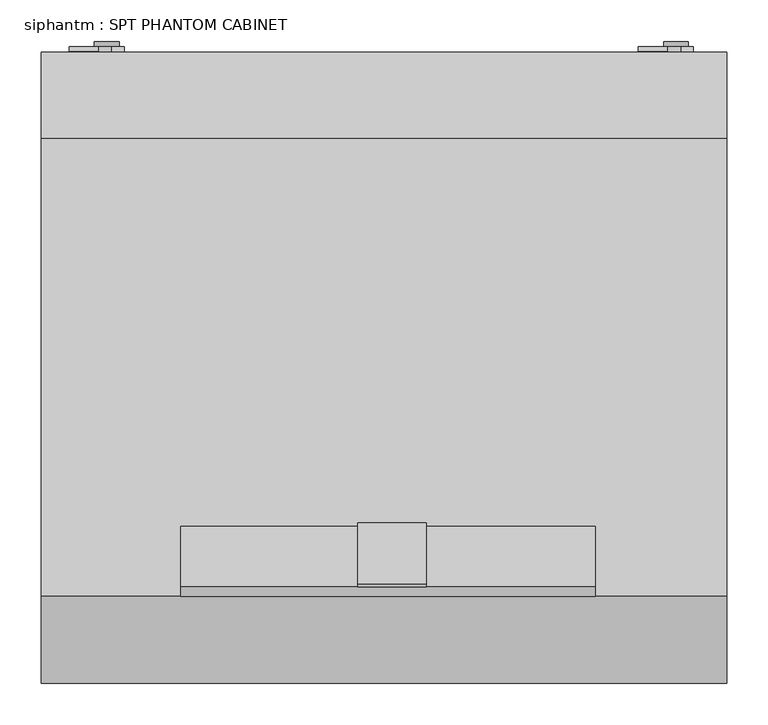
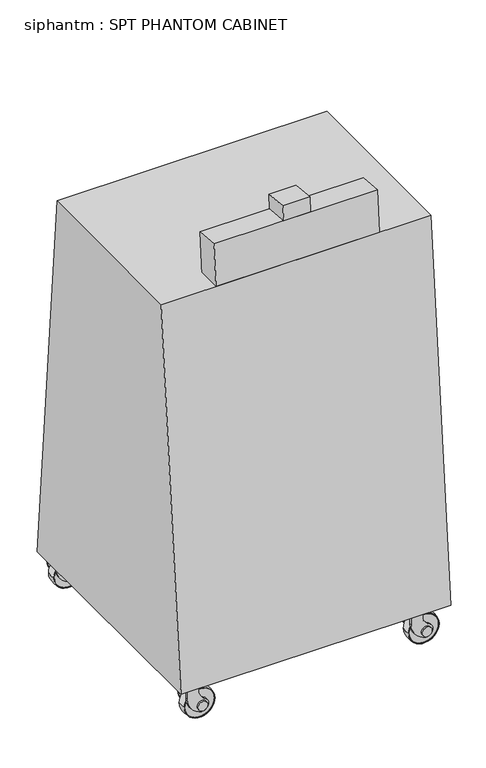
"""IFC4 building model written with IfcOpenShell, lengths in millimetres: proxy geometry, siphantm : SPT PHANTOM CABINET."""

from ifc_helpers import new_model, si_unit, point, frame, frame_2d, origin, place, context, project, spatial, polyline, circle_curve, ellipse_curve, trimmed, segment, composite_curve, outline, extrude, source, transform, mapped, element, save
from ifc_brep_helpers import plane_surface, revolved_surface, advanced_brep


def siphantm_spt_phantom_cabinet_dff090a6(model_context):
    return source(origin(), model_context, "Body", "SolidModel", [
        advanced_brep(
        [(876.4637595, 881.4451858, 48.0465135), (876.4637595, 853.4451858, 48.0465135), (782.8516814, 853.4451858, 48.0465135), (782.8516814, 881.4451858, 48.0465135), (874.6577205, 853.4451858, 48.0465135), (874.6577205, 881.4451858, 48.0465135), (784.6577205, 881.4451858, 48.0465135), (784.6577205, 853.4451858, 48.0465135)],
        [
            (0, 1, circle_curve(frame((798.0819675, 867.4451858, 48.0465135), z_axis=(0.0, 0.0, -1.0), x_axis=(-1.0, 0.0, 0.0)), 79.6222664)),
            (1, 2, circle_curve(frame((829.6577205, 853.4451858, 48.0465135), z_axis=(0.0, 1.0, 0.0), x_axis=(-1.0, 0.0, 0.0)), 46.8060391)),
            (2, 3, circle_curve(frame((861.2334734, 867.4451858, 48.0465135), z_axis=(0.0, 0.0, -1.0), x_axis=(1.0, 0.0, 0.0)), 79.6222664)),
            (3, 0, circle_curve(frame((829.6577205, 881.4451858, 48.0465135), z_axis=(0.0, -1.0, 0.0), x_axis=(-1.0, 0.0, 0.0)), 46.8060391)),
            (4, 5),
            (5, 6, circle_curve(frame((829.6577205, 881.4451858, 48.0465135), z_axis=(0.0, 1.0, 0.0), x_axis=(-1.0, 0.0, 0.0)), 45.0)),
            (6, 7),
            (7, 4, circle_curve(frame((829.6577205, 853.4451858, 48.0465135), z_axis=(0.0, -1.0, 0.0), x_axis=(-1.0, 0.0, 0.0)), 45.0)),
            (1, 2, circle_curve(frame((829.6577205, 853.4451858, 48.0465135), z_axis=(0.0, -1.0, 0.0), x_axis=(1.0, 0.0, 0.0)), 46.8060391)),
            (7, 4, circle_curve(frame((829.6577205, 853.4451858, 48.0465135), z_axis=(0.0, 1.0, 0.0), x_axis=(1.0, 0.0, 0.0)), 45.0)),
            (0, 3, circle_curve(frame((829.6577205, 881.4451858, 48.0465135), z_axis=(0.0, -1.0, 0.0), x_axis=(1.0, 0.0, 0.0)), 46.8060391)),
            (5, 6, circle_curve(frame((829.6577205, 881.4451858, 48.0465135), z_axis=(0.0, -1.0, 0.0), x_axis=(1.0, 0.0, 0.0)), 45.0)),
        ],
        [
            revolved_surface(trimmed(ellipse_curve(frame((861.2334734, 867.4451858, 48.0465135), z_axis=(0.0, 0.0, -1.0), x_axis=(1.0, 0.0, 0.0)), 79.6222664, 79.6222664), [point((782.8516814, 853.4451858, 48.0465135))], [point((782.8516814, 881.4451858, 48.0465135))], True, "CARTESIAN"), (829.6577205, 873.9679771, 48.0465135), (0.0, 1.0, 0.0)),
            revolved_surface(polyline([(784.6577205, 881.4451858, 48.0465135), (784.6577205, 853.4451858, 48.0465135)]), (829.6577205, 873.9679771, 48.0465135), (0.0, 1.0, 0.0)),
            plane_surface(frame((829.6577205, 853.4451858, 48.0465135), z_axis=(0.0, -1.0, 0.0), x_axis=(1.0, 0.0, 0.0))),
            revolved_surface(trimmed(ellipse_curve(frame((798.0819675, 867.4451858, 48.0465135), z_axis=(0.0, 0.0, 1.0), x_axis=(-1.0, 0.0, 0.0)), 79.6222664, 79.6222664), [point((876.4637595, 853.4451858, 48.0465135))], [point((876.4637595, 881.4451858, 48.0465135))], True, "CARTESIAN"), (829.6577205, 873.9679771, 48.0465135), (0.0, 1.0, 0.0)),
            plane_surface(frame((829.6577205, 881.4451858, 48.0465135), z_axis=(0.0, 1.0, 0.0), x_axis=(1.0, 0.0, 0.0))),
            revolved_surface(polyline([(874.6577205, 881.4451858, 48.0465135), (874.6577205, 853.4451858, 48.0465135)]), (829.6577205, 873.9679771, 48.0465135), (0.0, 1.0, 0.0)),
        ],
        [
            (0, [[1, 2, 3, 4]]),
            (1, [[5, 6, 7, 8]]),
            (2, [[-2, 9], [-8, 10]]),
            (3, [[-3, -9, -1, 11]]),
            (4, [[-4, -11], [-6, 12]]),
            (5, [[-7, -12, -5, -10]]),
        ],
    ),
        extrude(outline(composite_curve([segment(trimmed(circle_curve(frame_2d((48.0465135, 829.6577205)), 21.0), [point((29.163577, 820.4688844))], [point((68.1369892, 835.7710492))], False, "CARTESIAN"), True, "CONTINUOUS"), segment(trimmed(circle_curve(frame_2d((99.3530944, 856.8179829)), 37.6486207), [point((68.1369892, 835.7710492))], [point((99.3530944, 819.1693622))], True, "CARTESIAN"), True, "CONTINUOUS"), segment(polyline([(99.3530944, 819.1693622), (125.0465135, 819.1693622), (125.0465135, 784.1693622), (81.8753807, 784.1693622)]), True, "CONTINUOUS"), segment(trimmed(circle_curve(frame_2d((81.8753807, 839.1693622)), 55.0), [point((81.8753807, 784.1693622))], [point((34.2439835, 811.6693622))], False, "CARTESIAN"), True, "CONTINUOUS"), segment(polyline([(34.2439835, 811.6693622), (29.163577, 820.4688844)]), True, "CONTINUOUS")], self_intersect=False)), frame((0.0, 842.4679771, 0.0), z_axis=(0.0, 1.0, 0.0), x_axis=(0.0, 0.0, 1.0)), (0.0, 0.0, 1.0), 6.0),
        extrude(outline(polyline([(784.1693622, 886.4679771), (819.1693622, 886.4679771), (819.1693622, 848.4679771), (784.1693622, 848.4679771), (784.1693622, 886.4679771)])), frame((0.0, 0.0, 119.0465135), z_axis=(0.0, 0.0, 1.0), x_axis=(1.0, 0.0, 0.0)), (0.0, 0.0, 1.0), 6.0),
        extrude(outline(composite_curve([segment(trimmed(circle_curve(frame_2d((48.0465135, 829.6577205)), 21.0), [point((29.163577, 820.4688844))], [point((68.1369892, 835.7710492))], False, "CARTESIAN"), True, "CONTINUOUS"), segment(trimmed(circle_curve(frame_2d((99.3530944, 856.8179829)), 37.6486207), [point((68.1369892, 835.7710492))], [point((99.3530944, 819.1693622))], True, "CARTESIAN"), True, "CONTINUOUS"), segment(polyline([(99.3530944, 819.1693622), (125.0465135, 819.1693622), (125.0465135, 784.1693622), (81.8753807, 784.1693622)]), True, "CONTINUOUS"), segment(trimmed(circle_curve(frame_2d((81.8753807, 839.1693622)), 55.0), [point((81.8753807, 784.1693622))], [point((34.2439835, 811.6693622))], False, "CARTESIAN"), True, "CONTINUOUS"), segment(polyline([(34.2439835, 811.6693622), (29.163577, 820.4688844)]), True, "CONTINUOUS")], self_intersect=False)), frame((0.0, 886.4679771, 0.0), z_axis=(0.0, 1.0, 0.0), x_axis=(0.0, 0.0, 1.0)), (0.0, 0.0, 1.0), 6.0),
        extrude(outline(composite_curve([segment(trimmed(circle_curve(frame_2d((48.0465135, 829.6577205)), 15.0), [point((48.0465135, 814.6577205))], [point((48.0465135, 844.6577205))], False, "CARTESIAN"), True, "CONTINUOUS"), segment(trimmed(circle_curve(frame_2d((48.0465135, 829.6577205)), 15.0), [point((48.0465135, 844.6577205))], [point((48.0465135, 814.6577205))], False, "CARTESIAN"), True, "CONTINUOUS")], self_intersect=False)), frame((0.0, 836.4679771, 0.0), z_axis=(0.0, 1.0, 0.0), x_axis=(0.0, 0.0, 1.0)), (0.0, 0.0, 1.0), 62.0),
        extrude(outline(composite_curve([segment(trimmed(circle_curve(frame_2d((48.0465135, 829.6577205)), 45.0), [point((48.0465135, 784.6577205))], [point((48.0465135, 874.6577205))], False, "CARTESIAN"), True, "CONTINUOUS"), segment(trimmed(circle_curve(frame_2d((48.0465135, 829.6577205)), 45.0), [point((48.0465135, 874.6577205))], [point((48.0465135, 784.6577205))], False, "CARTESIAN"), True, "CONTINUOUS")], self_intersect=False)), frame((0.0, 854.9679771, 0.0), z_axis=(0.0, 1.0, 0.0), x_axis=(0.0, 0.0, 1.0)), (0.0, 0.0, 1.0), 25.0),
        advanced_brep(
        [(876.4637595, 1573.5951858, 48.0465135), (876.4637595, 1545.5951858, 48.0465135), (782.8516814, 1545.5951858, 48.0465135), (782.8516814, 1573.5951858, 48.0465135), (874.6577205, 1545.5951858, 48.0465135), (874.6577205, 1573.5951858, 48.0465135), (784.6577205, 1573.5951858, 48.0465135), (784.6577205, 1545.5951858, 48.0465135)],
        [
            (0, 1, circle_curve(frame((798.0819675, 1559.5951858, 48.0465135), z_axis=(0.0, 0.0, -1.0), x_axis=(-1.0, 0.0, 0.0)), 79.6222664)),
            (1, 2, circle_curve(frame((829.6577205, 1545.5951858, 48.0465135), z_axis=(0.0, 1.0, 0.0), x_axis=(-1.0, 0.0, 0.0)), 46.8060391)),
            (2, 3, circle_curve(frame((861.2334734, 1559.5951858, 48.0465135), z_axis=(0.0, 0.0, -1.0), x_axis=(1.0, 0.0, 0.0)), 79.6222664)),
            (3, 0, circle_curve(frame((829.6577205, 1573.5951858, 48.0465135), z_axis=(0.0, -1.0, 0.0), x_axis=(-1.0, 0.0, 0.0)), 46.8060391)),
            (4, 5),
            (5, 6, circle_curve(frame((829.6577205, 1573.5951858, 48.0465135), z_axis=(0.0, 1.0, 0.0), x_axis=(-1.0, 0.0, 0.0)), 45.0)),
            (6, 7),
            (7, 4, circle_curve(frame((829.6577205, 1545.5951858, 48.0465135), z_axis=(0.0, -1.0, 0.0), x_axis=(-1.0, 0.0, 0.0)), 45.0)),
            (1, 2, circle_curve(frame((829.6577205, 1545.5951858, 48.0465135), z_axis=(0.0, -1.0, 0.0), x_axis=(1.0, 0.0, 0.0)), 46.8060391)),
            (7, 4, circle_curve(frame((829.6577205, 1545.5951858, 48.0465135), z_axis=(0.0, 1.0, 0.0), x_axis=(1.0, 0.0, 0.0)), 45.0)),
            (0, 3, circle_curve(frame((829.6577205, 1573.5951858, 48.0465135), z_axis=(0.0, -1.0, 0.0), x_axis=(1.0, 0.0, 0.0)), 46.8060391)),
            (5, 6, circle_curve(frame((829.6577205, 1573.5951858, 48.0465135), z_axis=(0.0, -1.0, 0.0), x_axis=(1.0, 0.0, 0.0)), 45.0)),
        ],
        [
            revolved_surface(trimmed(ellipse_curve(frame((861.2334734, 1559.5951858, 48.0465135), z_axis=(0.0, 0.0, -1.0), x_axis=(1.0, 0.0, 0.0)), 79.6222664, 79.6222664), [point((782.8516814, 1545.5951858, 48.0465135))], [point((782.8516814, 1573.5951858, 48.0465135))], True, "CARTESIAN"), (829.6577205, 1566.1179771, 48.0465135), (0.0, 1.0, 0.0)),
            revolved_surface(polyline([(784.6577205, 1573.5951858, 48.0465135), (784.6577205, 1545.5951858, 48.0465135)]), (829.6577205, 1566.1179771, 48.0465135), (0.0, 1.0, 0.0)),
            plane_surface(frame((829.6577205, 1545.5951858, 48.0465135), z_axis=(0.0, -1.0, 0.0), x_axis=(1.0, 0.0, 0.0))),
            revolved_surface(trimmed(ellipse_curve(frame((798.0819675, 1559.5951858, 48.0465135), z_axis=(0.0, 0.0, 1.0), x_axis=(-1.0, 0.0, 0.0)), 79.6222664, 79.6222664), [point((876.4637595, 1545.5951858, 48.0465135))], [point((876.4637595, 1573.5951858, 48.0465135))], True, "CARTESIAN"), (829.6577205, 1566.1179771, 48.0465135), (0.0, 1.0, 0.0)),
            plane_surface(frame((829.6577205, 1573.5951858, 48.0465135), z_axis=(0.0, 1.0, 0.0), x_axis=(1.0, 0.0, 0.0))),
            revolved_surface(polyline([(874.6577205, 1573.5951858, 48.0465135), (874.6577205, 1545.5951858, 48.0465135)]), (829.6577205, 1566.1179771, 48.0465135), (0.0, 1.0, 0.0)),
        ],
        [
            (0, [[1, 2, 3, 4]]),
            (1, [[5, 6, 7, 8]]),
            (2, [[-2, 9], [-8, 10]]),
            (3, [[-3, -9, -1, 11]]),
            (4, [[-4, -11], [-6, 12]]),
            (5, [[-7, -12, -5, -10]]),
        ],
    ),
        extrude(outline(composite_curve([segment(trimmed(circle_curve(frame_2d((48.0465135, 829.6577205)), 21.0), [point((29.163577, 820.4688844))], [point((68.1369892, 835.7710492))], False, "CARTESIAN"), True, "CONTINUOUS"), segment(trimmed(circle_curve(frame_2d((99.3530944, 856.8179829)), 37.6486207), [point((68.1369892, 835.7710492))], [point((99.3530944, 819.1693622))], True, "CARTESIAN"), True, "CONTINUOUS"), segment(polyline([(99.3530944, 819.1693622), (125.0465135, 819.1693622), (125.0465135, 784.1693622), (81.8753807, 784.1693622)]), True, "CONTINUOUS"), segment(trimmed(circle_curve(frame_2d((81.8753807, 839.1693622)), 55.0), [point((81.8753807, 784.1693622))], [point((34.2439835, 811.6693622))], False, "CARTESIAN"), True, "CONTINUOUS"), segment(polyline([(34.2439835, 811.6693622), (29.163577, 820.4688844)]), True, "CONTINUOUS")], self_intersect=False)), frame((0.0, 1534.6179771, 0.0), z_axis=(0.0, 1.0, 0.0), x_axis=(0.0, 0.0, 1.0)), (0.0, 0.0, 1.0), 6.0),
        extrude(outline(polyline([(784.1693622, 1578.6179771), (819.1693622, 1578.6179771), (819.1693622, 1540.6179771), (784.1693622, 1540.6179771), (784.1693622, 1578.6179771)])), frame((0.0, 0.0, 119.0465135), z_axis=(0.0, 0.0, 1.0), x_axis=(1.0, 0.0, 0.0)), (0.0, 0.0, 1.0), 6.0),
        extrude(outline(composite_curve([segment(trimmed(circle_curve(frame_2d((48.0465135, 829.6577205)), 21.0), [point((29.163577, 820.4688844))], [point((68.1369892, 835.7710492))], False, "CARTESIAN"), True, "CONTINUOUS"), segment(trimmed(circle_curve(frame_2d((99.3530944, 856.8179829)), 37.6486207), [point((68.1369892, 835.7710492))], [point((99.3530944, 819.1693622))], True, "CARTESIAN"), True, "CONTINUOUS"), segment(polyline([(99.3530944, 819.1693622), (125.0465135, 819.1693622), (125.0465135, 784.1693622), (81.8753807, 784.1693622)]), True, "CONTINUOUS"), segment(trimmed(circle_curve(frame_2d((81.8753807, 839.1693622)), 55.0), [point((81.8753807, 784.1693622))], [point((34.2439835, 811.6693622))], False, "CARTESIAN"), True, "CONTINUOUS"), segment(polyline([(34.2439835, 811.6693622), (29.163577, 820.4688844)]), True, "CONTINUOUS")], self_intersect=False)), frame((0.0, 1578.6179771, 0.0), z_axis=(0.0, 1.0, 0.0), x_axis=(0.0, 0.0, 1.0)), (0.0, 0.0, 1.0), 6.0),
        extrude(outline(composite_curve([segment(trimmed(circle_curve(frame_2d((48.0465135, 829.6577205)), 15.0), [point((48.0465135, 814.6577205))], [point((48.0465135, 844.6577205))], False, "CARTESIAN"), True, "CONTINUOUS"), segment(trimmed(circle_curve(frame_2d((48.0465135, 829.6577205)), 15.0), [point((48.0465135, 844.6577205))], [point((48.0465135, 814.6577205))], False, "CARTESIAN"), True, "CONTINUOUS")], self_intersect=False)), frame((0.0, 1528.6179771, 0.0), z_axis=(0.0, 1.0, 0.0), x_axis=(0.0, 0.0, 1.0)), (0.0, 0.0, 1.0), 62.0),
        extrude(outline(composite_curve([segment(trimmed(circle_curve(frame_2d((48.0465135, 829.6577205)), 45.0), [point((48.0465135, 784.6577205))], [point((48.0465135, 874.6577205))], False, "CARTESIAN"), True, "CONTINUOUS"), segment(trimmed(circle_curve(frame_2d((48.0465135, 829.6577205)), 45.0), [point((48.0465135, 874.6577205))], [point((48.0465135, 784.6577205))], False, "CARTESIAN"), True, "CONTINUOUS")], self_intersect=False)), frame((0.0, 1547.1179771, 0.0), z_axis=(0.0, 1.0, 0.0), x_axis=(0.0, 0.0, 1.0)), (0.0, 0.0, 1.0), 25.0),
        advanced_brep(
        [(1562.2637595, 881.4451858, 48.0465135), (1562.2637595, 853.4451858, 48.0465135), (1468.6516814, 853.4451858, 48.0465135), (1468.6516814, 881.4451858, 48.0465135), (1560.4577205, 853.4451858, 48.0465135), (1560.4577205, 881.4451858, 48.0465135), (1470.4577205, 881.4451858, 48.0465135), (1470.4577205, 853.4451858, 48.0465135)],
        [
            (0, 1, circle_curve(frame((1483.8819675, 867.4451858, 48.0465135), z_axis=(0.0, 0.0, -1.0), x_axis=(-1.0, 0.0, 0.0)), 79.6222664)),
            (1, 2, circle_curve(frame((1515.4577205, 853.4451858, 48.0465135), z_axis=(0.0, 1.0, 0.0), x_axis=(-1.0, 0.0, 0.0)), 46.8060391)),
            (2, 3, circle_curve(frame((1547.0334734, 867.4451858, 48.0465135), z_axis=(0.0, 0.0, -1.0), x_axis=(1.0, 0.0, 0.0)), 79.6222664)),
            (3, 0, circle_curve(frame((1515.4577205, 881.4451858, 48.0465135), z_axis=(0.0, -1.0, 0.0), x_axis=(-1.0, 0.0, 0.0)), 46.8060391)),
            (4, 5),
            (5, 6, circle_curve(frame((1515.4577205, 881.4451858, 48.0465135), z_axis=(0.0, 1.0, 0.0), x_axis=(-1.0, 0.0, 0.0)), 45.0)),
            (6, 7),
            (7, 4, circle_curve(frame((1515.4577205, 853.4451858, 48.0465135), z_axis=(0.0, -1.0, 0.0), x_axis=(-1.0, 0.0, 0.0)), 45.0)),
            (1, 2, circle_curve(frame((1515.4577205, 853.4451858, 48.0465135), z_axis=(0.0, -1.0, 0.0), x_axis=(1.0, 0.0, 0.0)), 46.8060391)),
            (7, 4, circle_curve(frame((1515.4577205, 853.4451858, 48.0465135), z_axis=(0.0, 1.0, 0.0), x_axis=(1.0, 0.0, 0.0)), 45.0)),
            (0, 3, circle_curve(frame((1515.4577205, 881.4451858, 48.0465135), z_axis=(0.0, -1.0, 0.0), x_axis=(1.0, 0.0, 0.0)), 46.8060391)),
            (5, 6, circle_curve(frame((1515.4577205, 881.4451858, 48.0465135), z_axis=(0.0, -1.0, 0.0), x_axis=(1.0, 0.0, 0.0)), 45.0)),
        ],
        [
            revolved_surface(trimmed(ellipse_curve(frame((1547.0334734, 867.4451858, 48.0465135), z_axis=(0.0, 0.0, -1.0), x_axis=(1.0, 0.0, 0.0)), 79.6222664, 79.6222664), [point((1468.6516814, 853.4451858, 48.0465135))], [point((1468.6516814, 881.4451858, 48.0465135))], True, "CARTESIAN"), (1515.4577205, 873.9679771, 48.0465135), (0.0, 1.0, 0.0)),
            revolved_surface(polyline([(1470.4577205, 881.4451858, 48.0465135), (1470.4577205, 853.4451858, 48.0465135)]), (1515.4577205, 873.9679771, 48.0465135), (0.0, 1.0, 0.0)),
            plane_surface(frame((1515.4577205, 853.4451858, 48.0465135), z_axis=(0.0, -1.0, 0.0), x_axis=(1.0, 0.0, 0.0))),
            revolved_surface(trimmed(ellipse_curve(frame((1483.8819675, 867.4451858, 48.0465135), z_axis=(0.0, 0.0, 1.0), x_axis=(-1.0, 0.0, 0.0)), 79.6222664, 79.6222664), [point((1562.2637595, 853.4451858, 48.0465135))], [point((1562.2637595, 881.4451858, 48.0465135))], True, "CARTESIAN"), (1515.4577205, 873.9679771, 48.0465135), (0.0, 1.0, 0.0)),
            plane_surface(frame((1515.4577205, 881.4451858, 48.0465135), z_axis=(0.0, 1.0, 0.0), x_axis=(1.0, 0.0, 0.0))),
            revolved_surface(polyline([(1560.4577205, 881.4451858, 48.0465135), (1560.4577205, 853.4451858, 48.0465135)]), (1515.4577205, 873.9679771, 48.0465135), (0.0, 1.0, 0.0)),
        ],
        [
            (0, [[1, 2, 3, 4]]),
            (1, [[5, 6, 7, 8]]),
            (2, [[-2, 9], [-8, 10]]),
            (3, [[-3, -9, -1, 11]]),
            (4, [[-4, -11], [-6, 12]]),
            (5, [[-7, -12, -5, -10]]),
        ],
    ),
        extrude(outline(composite_curve([segment(trimmed(circle_curve(frame_2d((48.0465135, 1515.4577205)), 21.0), [point((29.163577, 1506.2688844))], [point((68.1369892, 1521.5710492))], False, "CARTESIAN"), True, "CONTINUOUS"), segment(trimmed(circle_curve(frame_2d((99.3530944, 1542.6179829)), 37.6486207), [point((68.1369892, 1521.5710492))], [point((99.3530944, 1504.9693622))], True, "CARTESIAN"), True, "CONTINUOUS"), segment(polyline([(99.3530944, 1504.9693622), (125.0465135, 1504.9693622), (125.0465135, 1469.9693622), (81.8753807, 1469.9693622)]), True, "CONTINUOUS"), segment(trimmed(circle_curve(frame_2d((81.8753807, 1524.9693622)), 55.0), [point((81.8753807, 1469.9693622))], [point((34.2439835, 1497.4693622))], False, "CARTESIAN"), True, "CONTINUOUS"), segment(polyline([(34.2439835, 1497.4693622), (29.163577, 1506.2688844)]), True, "CONTINUOUS")], self_intersect=False)), frame((0.0, 842.4679771, 0.0), z_axis=(0.0, 1.0, 0.0), x_axis=(0.0, 0.0, 1.0)), (0.0, 0.0, 1.0), 6.0),
        extrude(outline(polyline([(1469.9693622, 886.4679771), (1504.9693622, 886.4679771), (1504.9693622, 848.4679771), (1469.9693622, 848.4679771), (1469.9693622, 886.4679771)])), frame((0.0, 0.0, 119.0465135), z_axis=(0.0, 0.0, 1.0), x_axis=(1.0, 0.0, 0.0)), (0.0, 0.0, 1.0), 6.0),
        extrude(outline(composite_curve([segment(trimmed(circle_curve(frame_2d((48.0465135, 1515.4577205)), 21.0), [point((29.163577, 1506.2688844))], [point((68.1369892, 1521.5710492))], False, "CARTESIAN"), True, "CONTINUOUS"), segment(trimmed(circle_curve(frame_2d((99.3530944, 1542.6179829)), 37.6486207), [point((68.1369892, 1521.5710492))], [point((99.3530944, 1504.9693622))], True, "CARTESIAN"), True, "CONTINUOUS"), segment(polyline([(99.3530944, 1504.9693622), (125.0465135, 1504.9693622), (125.0465135, 1469.9693622), (81.8753807, 1469.9693622)]), True, "CONTINUOUS"), segment(trimmed(circle_curve(frame_2d((81.8753807, 1524.9693622)), 55.0), [point((81.8753807, 1469.9693622))], [point((34.2439835, 1497.4693622))], False, "CARTESIAN"), True, "CONTINUOUS"), segment(polyline([(34.2439835, 1497.4693622), (29.163577, 1506.2688844)]), True, "CONTINUOUS")], self_intersect=False)), frame((0.0, 886.4679771, 0.0), z_axis=(0.0, 1.0, 0.0), x_axis=(0.0, 0.0, 1.0)), (0.0, 0.0, 1.0), 6.0),
        extrude(outline(composite_curve([segment(trimmed(circle_curve(frame_2d((48.0465135, 1515.4577205)), 15.0), [point((48.0465135, 1500.4577205))], [point((48.0465135, 1530.4577205))], False, "CARTESIAN"), True, "CONTINUOUS"), segment(trimmed(circle_curve(frame_2d((48.0465135, 1515.4577205)), 15.0), [point((48.0465135, 1530.4577205))], [point((48.0465135, 1500.4577205))], False, "CARTESIAN"), True, "CONTINUOUS")], self_intersect=False)), frame((0.0, 836.4679771, 0.0), z_axis=(0.0, 1.0, 0.0), x_axis=(0.0, 0.0, 1.0)), (0.0, 0.0, 1.0), 62.0),
        extrude(outline(composite_curve([segment(trimmed(circle_curve(frame_2d((48.0465135, 1515.4577205)), 45.0), [point((48.0465135, 1470.4577205))], [point((48.0465135, 1560.4577205))], False, "CARTESIAN"), True, "CONTINUOUS"), segment(trimmed(circle_curve(frame_2d((48.0465135, 1515.4577205)), 45.0), [point((48.0465135, 1560.4577205))], [point((48.0465135, 1470.4577205))], False, "CARTESIAN"), True, "CONTINUOUS")], self_intersect=False)), frame((0.0, 854.9679771, 0.0), z_axis=(0.0, 1.0, 0.0), x_axis=(0.0, 0.0, 1.0)), (0.0, 0.0, 1.0), 25.0),
        advanced_brep(
        [(1562.2637595, 1573.5951858, 48.0465135), (1562.2637595, 1545.5951858, 48.0465135), (1468.6516814, 1545.5951858, 48.0465135), (1468.6516814, 1573.5951858, 48.0465135), (1560.4577205, 1545.5951858, 48.0465135), (1560.4577205, 1573.5951858, 48.0465135), (1470.4577205, 1573.5951858, 48.0465135), (1470.4577205, 1545.5951858, 48.0465135)],
        [
            (0, 1, circle_curve(frame((1483.8819675, 1559.5951858, 48.0465135), z_axis=(0.0, 0.0, -1.0), x_axis=(-1.0, 0.0, 0.0)), 79.6222664)),
            (1, 2, circle_curve(frame((1515.4577205, 1545.5951858, 48.0465135), z_axis=(0.0, 1.0, 0.0), x_axis=(-1.0, 0.0, 0.0)), 46.8060391)),
            (2, 3, circle_curve(frame((1547.0334734, 1559.5951858, 48.0465135), z_axis=(0.0, 0.0, -1.0), x_axis=(1.0, 0.0, 0.0)), 79.6222664)),
            (3, 0, circle_curve(frame((1515.4577205, 1573.5951858, 48.0465135), z_axis=(0.0, -1.0, 0.0), x_axis=(-1.0, 0.0, 0.0)), 46.8060391)),
            (4, 5),
            (5, 6, circle_curve(frame((1515.4577205, 1573.5951858, 48.0465135), z_axis=(0.0, 1.0, 0.0), x_axis=(-1.0, 0.0, 0.0)), 45.0)),
            (6, 7),
            (7, 4, circle_curve(frame((1515.4577205, 1545.5951858, 48.0465135), z_axis=(0.0, -1.0, 0.0), x_axis=(-1.0, 0.0, 0.0)), 45.0)),
            (1, 2, circle_curve(frame((1515.4577205, 1545.5951858, 48.0465135), z_axis=(0.0, -1.0, 0.0), x_axis=(1.0, 0.0, 0.0)), 46.8060391)),
            (7, 4, circle_curve(frame((1515.4577205, 1545.5951858, 48.0465135), z_axis=(0.0, 1.0, 0.0), x_axis=(1.0, 0.0, 0.0)), 45.0)),
            (0, 3, circle_curve(frame((1515.4577205, 1573.5951858, 48.0465135), z_axis=(0.0, -1.0, 0.0), x_axis=(1.0, 0.0, 0.0)), 46.8060391)),
            (5, 6, circle_curve(frame((1515.4577205, 1573.5951858, 48.0465135), z_axis=(0.0, -1.0, 0.0), x_axis=(1.0, 0.0, 0.0)), 45.0)),
        ],
        [
            revolved_surface(trimmed(ellipse_curve(frame((1547.0334734, 1559.5951858, 48.0465135), z_axis=(0.0, 0.0, -1.0), x_axis=(1.0, 0.0, 0.0)), 79.6222664, 79.6222664), [point((1468.6516814, 1545.5951858, 48.0465135))], [point((1468.6516814, 1573.5951858, 48.0465135))], True, "CARTESIAN"), (1515.4577205, 1566.1179771, 48.0465135), (0.0, 1.0, 0.0)),
            revolved_surface(polyline([(1470.4577205, 1573.5951858, 48.0465135), (1470.4577205, 1545.5951858, 48.0465135)]), (1515.4577205, 1566.1179771, 48.0465135), (0.0, 1.0, 0.0)),
            plane_surface(frame((1515.4577205, 1545.5951858, 48.0465135), z_axis=(0.0, -1.0, 0.0), x_axis=(1.0, 0.0, 0.0))),
            revolved_surface(trimmed(ellipse_curve(frame((1483.8819675, 1559.5951858, 48.0465135), z_axis=(0.0, 0.0, 1.0), x_axis=(-1.0, 0.0, 0.0)), 79.6222664, 79.6222664), [point((1562.2637595, 1545.5951858, 48.0465135))], [point((1562.2637595, 1573.5951858, 48.0465135))], True, "CARTESIAN"), (1515.4577205, 1566.1179771, 48.0465135), (0.0, 1.0, 0.0)),
            plane_surface(frame((1515.4577205, 1573.5951858, 48.0465135), z_axis=(0.0, 1.0, 0.0), x_axis=(1.0, 0.0, 0.0))),
            revolved_surface(polyline([(1560.4577205, 1573.5951858, 48.0465135), (1560.4577205, 1545.5951858, 48.0465135)]), (1515.4577205, 1566.1179771, 48.0465135), (0.0, 1.0, 0.0)),
        ],
        [
            (0, [[1, 2, 3, 4]]),
            (1, [[5, 6, 7, 8]]),
            (2, [[-2, 9], [-8, 10]]),
            (3, [[-3, -9, -1, 11]]),
            (4, [[-4, -11], [-6, 12]]),
            (5, [[-7, -12, -5, -10]]),
        ],
    ),
        extrude(outline(composite_curve([segment(trimmed(circle_curve(frame_2d((48.0465135, 1515.4577205)), 21.0), [point((29.163577, 1506.2688844))], [point((68.1369892, 1521.5710492))], False, "CARTESIAN"), True, "CONTINUOUS"), segment(trimmed(circle_curve(frame_2d((99.3530944, 1542.6179829)), 37.6486207), [point((68.1369892, 1521.5710492))], [point((99.3530944, 1504.9693622))], True, "CARTESIAN"), True, "CONTINUOUS"), segment(polyline([(99.3530944, 1504.9693622), (125.0465135, 1504.9693622), (125.0465135, 1469.9693622), (81.8753807, 1469.9693622)]), True, "CONTINUOUS"), segment(trimmed(circle_curve(frame_2d((81.8753807, 1524.9693622)), 55.0), [point((81.8753807, 1469.9693622))], [point((34.2439835, 1497.4693622))], False, "CARTESIAN"), True, "CONTINUOUS"), segment(polyline([(34.2439835, 1497.4693622), (29.163577, 1506.2688844)]), True, "CONTINUOUS")], self_intersect=False)), frame((0.0, 1534.6179771, 0.0), z_axis=(0.0, 1.0, 0.0), x_axis=(0.0, 0.0, 1.0)), (0.0, 0.0, 1.0), 6.0),
        extrude(outline(polyline([(1469.9693622, 1578.6179771), (1504.9693622, 1578.6179771), (1504.9693622, 1540.6179771), (1469.9693622, 1540.6179771), (1469.9693622, 1578.6179771)])), frame((0.0, 0.0, 119.0465135), z_axis=(0.0, 0.0, 1.0), x_axis=(1.0, 0.0, 0.0)), (0.0, 0.0, 1.0), 6.0),
        extrude(outline(composite_curve([segment(trimmed(circle_curve(frame_2d((48.0465135, 1515.4577205)), 21.0), [point((29.163577, 1506.2688844))], [point((68.1369892, 1521.5710492))], False, "CARTESIAN"), True, "CONTINUOUS"), segment(trimmed(circle_curve(frame_2d((99.3530944, 1542.6179829)), 37.6486207), [point((68.1369892, 1521.5710492))], [point((99.3530944, 1504.9693622))], True, "CARTESIAN"), True, "CONTINUOUS"), segment(polyline([(99.3530944, 1504.9693622), (125.0465135, 1504.9693622), (125.0465135, 1469.9693622), (81.8753807, 1469.9693622)]), True, "CONTINUOUS"), segment(trimmed(circle_curve(frame_2d((81.8753807, 1524.9693622)), 55.0), [point((81.8753807, 1469.9693622))], [point((34.2439835, 1497.4693622))], False, "CARTESIAN"), True, "CONTINUOUS"), segment(polyline([(34.2439835, 1497.4693622), (29.163577, 1506.2688844)]), True, "CONTINUOUS")], self_intersect=False)), frame((0.0, 1578.6179771, 0.0), z_axis=(0.0, 1.0, 0.0), x_axis=(0.0, 0.0, 1.0)), (0.0, 0.0, 1.0), 6.0),
        extrude(outline(composite_curve([segment(trimmed(circle_curve(frame_2d((48.0465135, 1515.4577205)), 15.0), [point((48.0465135, 1500.4577205))], [point((48.0465135, 1530.4577205))], False, "CARTESIAN"), True, "CONTINUOUS"), segment(trimmed(circle_curve(frame_2d((48.0465135, 1515.4577205)), 15.0), [point((48.0465135, 1530.4577205))], [point((48.0465135, 1500.4577205))], False, "CARTESIAN"), True, "CONTINUOUS")], self_intersect=False)), frame((0.0, 1528.6179771, 0.0), z_axis=(0.0, 1.0, 0.0), x_axis=(0.0, 0.0, 1.0)), (0.0, 0.0, 1.0), 62.0),
        extrude(outline(composite_curve([segment(trimmed(circle_curve(frame_2d((48.0465135, 1515.4577205)), 45.0), [point((48.0465135, 1470.4577205))], [point((48.0465135, 1560.4577205))], False, "CARTESIAN"), True, "CONTINUOUS"), segment(trimmed(circle_curve(frame_2d((48.0465135, 1515.4577205)), 45.0), [point((48.0465135, 1560.4577205))], [point((48.0465135, 1470.4577205))], False, "CARTESIAN"), True, "CONTINUOUS")], self_intersect=False)), frame((0.0, 1547.1179771, 0.0), z_axis=(0.0, 1.0, 0.0), x_axis=(0.0, 0.0, 1.0)), (0.0, 0.0, 1.0), 25.0),
        extrude(outline(polyline([(0.0, 82.55), (73.5586554, 82.55), (73.5586554, 0.0), (0.0, 0.0), (0.0, 82.55)])), frame((1214.3725329, 932.8492957, 1452.1011844), z_axis=(0.0, 0.08715574274765946, 0.9961946980917454), x_axis=(0.0, 0.9961946980917454, -0.08715574274765946)), (0.0, 0.0, 1.0), 45.8127845),
        extrude(outline(polyline([(0.0, 499.5925869), (73.5586555, 499.5925869), (73.5586555, 0.0), (0.0, 0.0), (0.0, 499.5925869)])), frame((1418.1781556, 921.4166706, 1321.4256821), z_axis=(0.0, 0.08715574274765849, 0.9961946980917455), x_axis=(0.0, 0.9961946980917455, -0.08715574274765849)), (0.0, 0.0, 1.0), 131.1746615),
        extrude(outline(polyline([(921.4166706, 1321.4256821), (1473.3181986, 1321.4256821), (1577.9878131, 125.0465135), (816.7470561, 125.0465135), (921.4166706, 1321.4256821)])), frame((750.8693622, 0.0, 0.0), z_axis=(1.0, 0.0, 0.0), x_axis=(0.0, 1.0, 0.0)), (0.0, 0.0, 1.0), 825.5),
    ])


if __name__ == "__main__":
    model = new_model("IFC4")
    model_context = context("Model", 3, world=origin())
    ifc_project = project(units=[si_unit("LENGTHUNIT", "METRE", prefix="MILLI")], contexts=[model_context])
    site = spatial("IfcSite", under=ifc_project)
    building = spatial("IfcBuilding", under=site)
    placement = place(None, origin())
    siphantm_spt_phantom_cabinet_shape = siphantm_spt_phantom_cabinet_dff090a6(model_context)
    element("IfcBuildingElementProxy", 1, Name="siphantm : SPT PHANTOM CABINET", ObjectType="siphantm : SPT PHANTOM CABINET", at=placement, inside=building, context=model_context, shape_type="MappedRepresentation", body=[
        mapped(siphantm_spt_phantom_cabinet_shape, transform((0.0, 0.0, 0.0), x_axis=(1.0, 0.0, 0.0), y_axis=(0.0, 1.0, 0.0), z_axis=(0.0, 0.0, 1.0))),
    ])
    save(model, "model.ifc")
